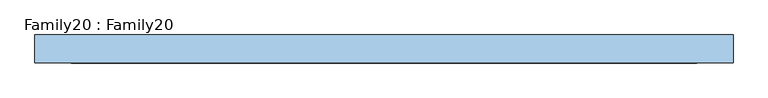
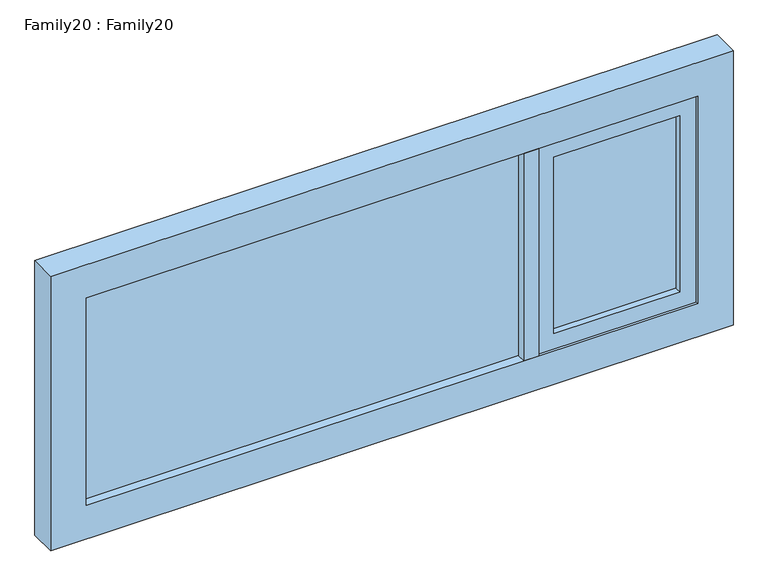
"""IFC4 building model written with IfcOpenShell, lengths in millimetres: window geometry, Family20 : Family20."""

from ifc_helpers import new_model, si_unit, frame, origin, place, context, project, spatial, polyline, outline, extrude, source, transform, mapped, element, save


def family20_family20_a1b5b5ab(model_context):
    return source(origin(), model_context, "Body", "SweptSolid", [
        extrude(outline(polyline([(886.0, -14.0), (500.0, -14.0), (500.0, -10.0), (886.0, -10.0), (886.0, -14.0)])), frame((0.0, 0.0, 959.0), z_axis=(0.0, 0.0, 1.0), x_axis=(1.0, 0.0, 0.0)), (0.0, 0.0, 1.0), 572.0),
        extrude(outline(polyline([(500.0, 14.0), (886.0, 14.0), (886.0, 10.0), (500.0, 10.0), (500.0, 14.0)])), frame((0.0, 0.0, 959.0), z_axis=(0.0, 0.0, 1.0), x_axis=(1.0, 0.0, 0.0)), (0.0, 0.0, 1.0), 572.0),
        extrude(outline(polyline([(403.8050141, -14.0), (-936.0, -14.0), (-936.0, -10.0), (403.8050141, -10.0), (403.8050141, -14.0)])), frame((0.0, 0.0, 909.0), z_axis=(0.0, 0.0, 1.0), x_axis=(1.0, 0.0, 0.0)), (0.0, 0.0, 1.0), 672.0),
        extrude(outline(polyline([(-936.0, 14.0), (403.8050141, 14.0), (403.8050141, 10.0), (-936.0, 10.0), (-936.0, 14.0)])), frame((0.0, 0.0, 909.0), z_axis=(0.0, 0.0, 1.0), x_axis=(1.0, 0.0, 0.0)), (0.0, 0.0, 1.0), 672.0),
        extrude(outline(polyline([(450.0, 42.0), (450.0, -42.0), (403.8050141, -42.0), (403.8050141, 42.0), (450.0, 42.0)])), frame((0.0, 0.0, 909.0), z_axis=(0.0, 0.0, 1.0), x_axis=(1.0, 0.0, 0.0)), (0.0, 0.0, 1.0), 672.0),
        extrude(outline(polyline([(1581.0, 936.0), (1581.0, 450.0), (909.0, 450.0), (909.0, 936.0), (1581.0, 936.0)]), holes=[polyline([(959.0, 500.0), (1531.0, 500.0), (1531.0, 886.0), (959.0, 886.0), (959.0, 500.0)])]), frame((0.0, -34.9035994, 0.0), z_axis=(0.0, 1.0, 0.0), x_axis=(0.0, 0.0, 1.0)), (0.0, 0.0, 1.0), 70.4146297),
        extrude(outline(polyline([(1690.0, 1045.0), (1690.0, -1045.0), (800.0, -1045.0), (800.0, 1045.0), (1690.0, 1045.0)]), holes=[polyline([(909.0, 936.0), (909.0, -936.0), (1581.0, -936.0), (1581.0, 936.0), (909.0, 936.0)])]), frame((0.0, -42.0, 0.0), z_axis=(0.0, 1.0, 0.0), x_axis=(0.0, 0.0, 1.0)), (0.0, 0.0, 1.0), 84.0),
    ])


if __name__ == "__main__":
    model = new_model("IFC4")
    model_context = context("Model", 3, world=origin())
    ifc_project = project(units=[si_unit("LENGTHUNIT", "METRE", prefix="MILLI")], contexts=[model_context])
    site = spatial("IfcSite", under=ifc_project)
    building = spatial("IfcBuilding", under=site)
    placement = place(None, origin())
    family20_family20_shape = family20_family20_a1b5b5ab(model_context)
    element("IfcWindow", 1, ObjectType="Family20 : Family20", at=placement, inside=building, context=model_context, shape_type="MappedRepresentation", body=[
        mapped(family20_family20_shape, transform((0.0, 0.0, 0.0), x_axis=(1.0, 0.0, 0.0), y_axis=(0.0, 1.0, 0.0), z_axis=(0.0, 0.0, 1.0))),
    ])
    save(model, "model.ifc")
